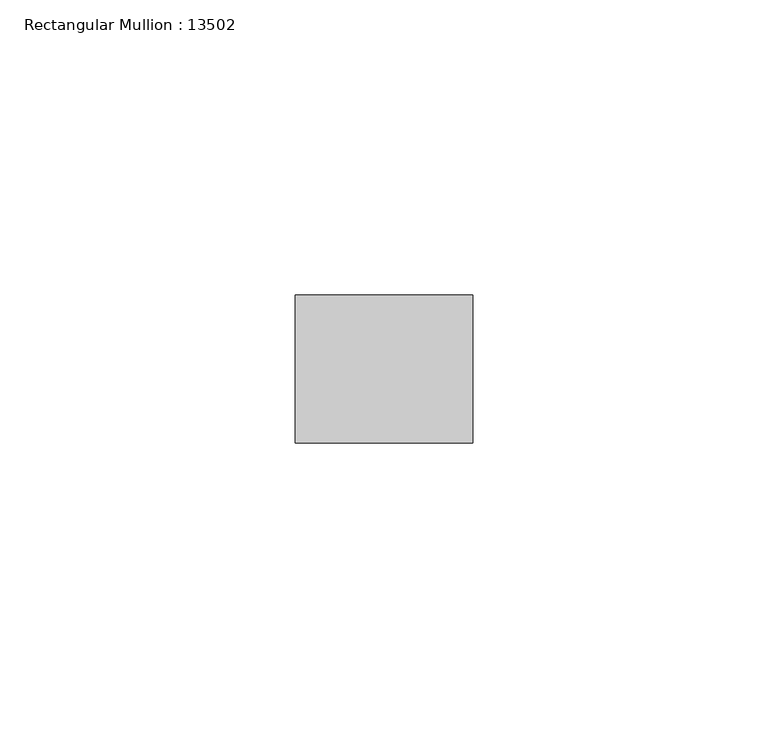
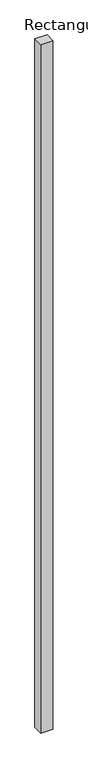
"""IFC4 building model written with IfcOpenShell, lengths in millimetres: member geometry, Rectangular Mullion : 13502."""

from ifc_helpers import new_model, si_unit, frame, origin, place, context, project, spatial, polyline, outline, extrude, source, transform, mapped, element, save


def rectangular_mullion_13502_1b9474de(model_context):
    return source(origin(), model_context, "Body", "SweptSolid", [
        extrude(outline(polyline([(0.0, -12.5), (-29.9999993, -12.5), (-29.9999993, 12.5), (0.0, 12.5), (0.0, -12.5)])), frame((0.0, 0.0, -1800.0), z_axis=(0.0, 0.0, 1.0), x_axis=(1.0, 0.0, 0.0)), (0.0, 0.0, 1.0), 1800.0),
    ])


if __name__ == "__main__":
    model = new_model("IFC4")
    model_context = context("Model", 3, world=origin())
    ifc_project = project(units=[si_unit("LENGTHUNIT", "METRE", prefix="MILLI")], contexts=[model_context])
    site = spatial("IfcSite", under=ifc_project)
    building = spatial("IfcBuilding", under=site)
    placement = place(None, origin())
    rectangular_mullion_13502_shape = rectangular_mullion_13502_1b9474de(model_context)
    element("IfcMember", 1, ObjectType="Rectangular Mullion : 13502", at=placement, inside=building, context=model_context, shape_type="MappedRepresentation", body=[
        mapped(rectangular_mullion_13502_shape, transform((0.0, 0.0, 0.0), x_axis=(1.0, 0.0, 0.0), y_axis=(0.0, 1.0, 0.0), z_axis=(0.0, 0.0, 1.0))),
    ])
    save(model, "model.ifc")
